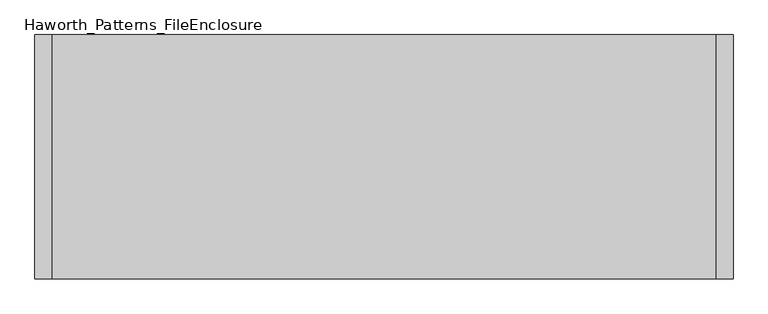
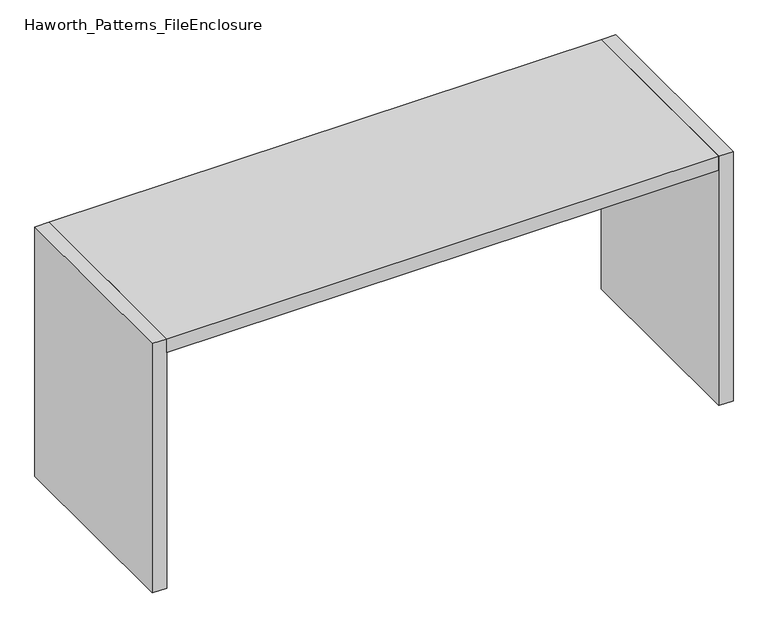
"""IFC4 building model written with IfcOpenShell, lengths in millimetres: furniture geometry, Haworth_Patterns_FileEnclosure."""

from ifc_helpers import new_model, si_unit, frame, origin, origin_with_axes, place, context, project, spatial, polyline, outline, extrude, source, transform, mapped, element, save


def haworth_patterns_fileenclosure_145ec839(model_context):
    return source(origin(), model_context, "Body", "SweptSolid", [
        extrude(outline(polyline([(1447.8, 0.0), (1447.8, -1066.8), (-1447.8, -1066.8), (-1447.8, 0.0), (1447.8, 0.0)])), frame((0.0, 0.0, 1308.1), z_axis=(0.0, 0.0, 1.0), x_axis=(1.0, 0.0, 0.0)), (0.0, 0.0, 1.0), 76.2),
        extrude(outline(polyline([(1447.8, 0.0), (1524.0, 0.0), (1524.0, -1066.8), (1447.8, -1066.8), (1447.8, 0.0)])), origin_with_axes(), (0.0, 0.0, 1.0), 1384.3),
        extrude(outline(polyline([(-1447.8, 0.0), (-1447.8, -1066.8), (-1524.0, -1066.8), (-1524.0, 0.0), (-1447.8, 0.0)])), origin_with_axes(), (0.0, 0.0, 1.0), 1384.3),
    ])


if __name__ == "__main__":
    model = new_model("IFC4")
    model_context = context("Model", 3, world=origin())
    ifc_project = project(units=[si_unit("LENGTHUNIT", "METRE", prefix="MILLI")], contexts=[model_context])
    site = spatial("IfcSite", under=ifc_project)
    building = spatial("IfcBuilding", under=site)
    placement = place(None, origin())
    haworth_patterns_fileenclosure_shape = haworth_patterns_fileenclosure_145ec839(model_context)
    element("IfcFurniture", 1, ObjectType="Haworth_Patterns_FileEnclosure", at=placement, inside=building, context=model_context, shape_type="MappedRepresentation", body=[
        mapped(haworth_patterns_fileenclosure_shape, transform((0.0, 0.0, 0.0), x_axis=(1.0, 0.0, 0.0), y_axis=(0.0, 1.0, 0.0), z_axis=(0.0, 0.0, 1.0))),
    ])
    save(model, "model.ifc")
